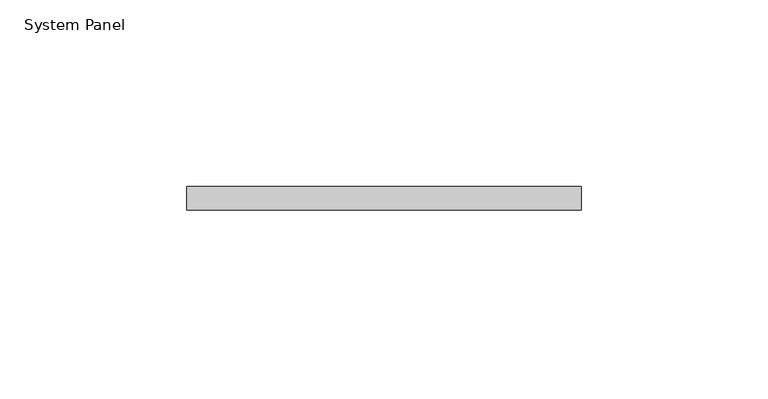
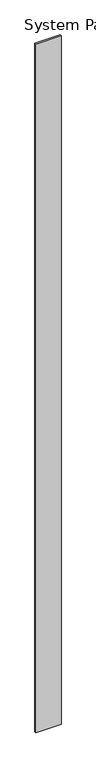
"""IFC4 building model written with IfcOpenShell, lengths in millimetres: plate geometry, System Panel."""

from ifc_helpers import new_model, si_unit, origin, origin_with_axes, place, context, project, spatial, polyline, outline, extrude, source, transform, mapped, element, save


def system_panel_8cfff66d(model_context):
    return source(origin(), model_context, "Body", "SweptSolid", [
        extrude(outline(polyline([(52.8575239, -6.35), (-52.8575239, -6.35), (-52.8575239, 0.0), (52.8575239, 0.0), (52.8575239, -6.35)])), origin_with_axes(), (0.0, 0.0, 1.0), 3048.0),
    ])


if __name__ == "__main__":
    model = new_model("IFC4")
    model_context = context("Model", 3, world=origin())
    ifc_project = project(units=[si_unit("LENGTHUNIT", "METRE", prefix="MILLI")], contexts=[model_context])
    site = spatial("IfcSite", under=ifc_project)
    building = spatial("IfcBuilding", under=site)
    placement = place(None, origin())
    system_panel_shape = system_panel_8cfff66d(model_context)
    element("IfcPlate", 1, ObjectType="System Panel", at=placement, inside=building, context=model_context, shape_type="MappedRepresentation", body=[
        mapped(system_panel_shape, transform((0.0, 0.0, 0.0), x_axis=(1.0, 0.0, 0.0), y_axis=(0.0, 1.0, 0.0), z_axis=(0.0, 0.0, 1.0))),
    ])
    save(model, "model.ifc")
